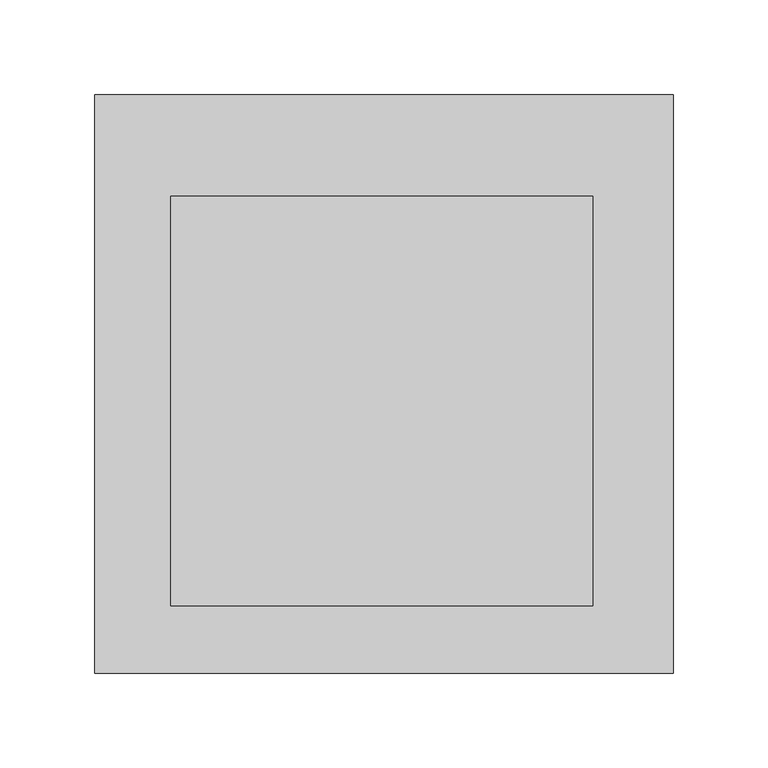
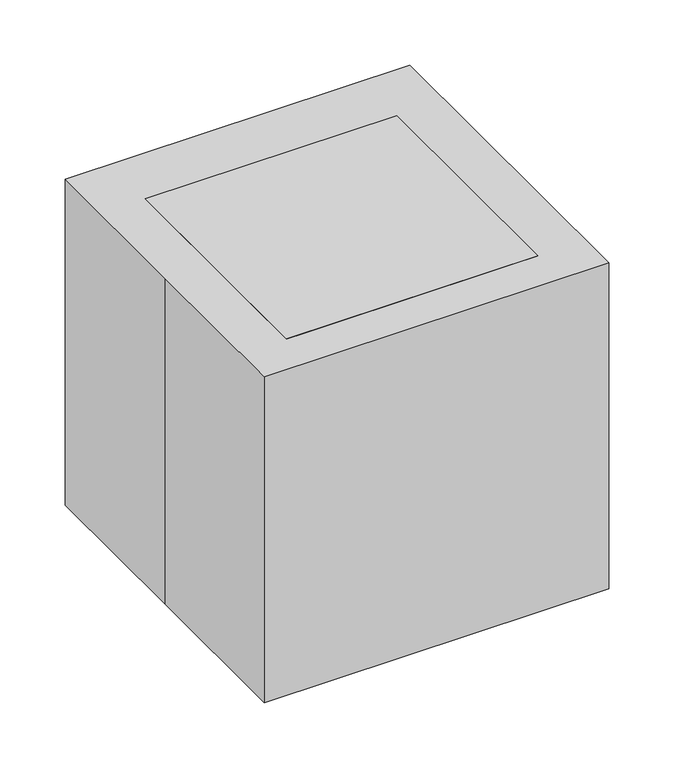
"""IFC4 building model written with IfcOpenShell, lengths in millimetres: proxy geometry."""

from ifc_helpers import new_model, si_unit, origin, origin_with_axes, place, context, project, spatial, polyline, outline, extrude, source, transform, mapped, element, save


def specialty_equipment_c5dcc343(model_context):
    return source(origin(), model_context, "Body", "SweptSolid", [
        extrude(outline(polyline([(109.9697184, 98.9836461), (109.9697184, -116.9163539), (-112.2802816, -116.9163539), (-112.2802816, 98.9836461), (109.9697184, 98.9836461)])), origin_with_axes(), (0.0, 0.0, 1.0), 304.8),
        extrude(outline(polyline([(-152.4, 152.4), (152.4, 152.4), (152.4, -152.4), (-152.4, -152.4), (-152.4, 0.0), (-152.4, 152.4)])), origin_with_axes(), (0.0, 0.0, 1.0), 304.8),
    ])


if __name__ == "__main__":
    model = new_model("IFC4")
    model_context = context("Model", 3, world=origin())
    ifc_project = project(units=[si_unit("LENGTHUNIT", "METRE", prefix="MILLI")], contexts=[model_context])
    site = spatial("IfcSite", under=ifc_project)
    building = spatial("IfcBuilding", under=site)
    placement = place(None, origin())
    specialty_equipment_shape = specialty_equipment_c5dcc343(model_context)
    element("IfcBuildingElementProxy", 1, Name="Specialty Equipment", at=placement, inside=building, context=model_context, shape_type="MappedRepresentation", body=[
        mapped(specialty_equipment_shape, transform((0.0, 0.0, 0.0), x_axis=(1.0, 0.0, 0.0), y_axis=(0.0, 1.0, 0.0), z_axis=(0.0, 0.0, 1.0))),
    ])
    save(model, "model.ifc")
